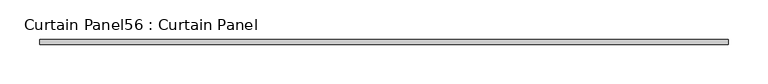
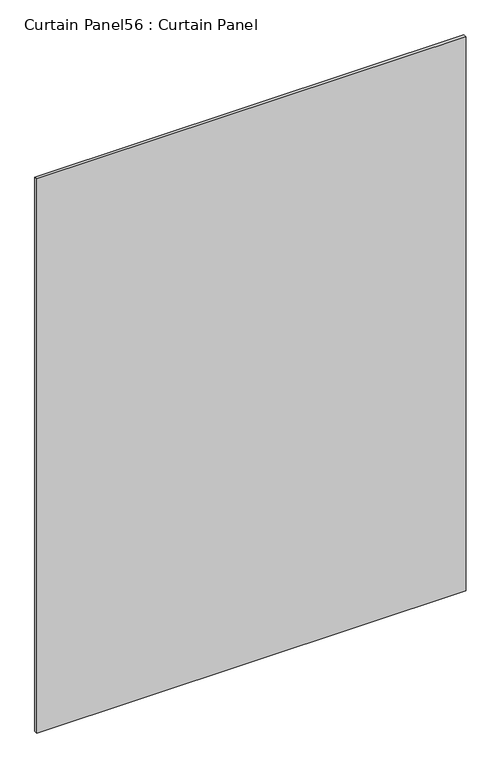
"""IFC4 building model written with IfcOpenShell, lengths in millimetres: plate geometry, Curtain Panel56 : Curtain Panel."""

from ifc_helpers import new_model, si_unit, frame, origin, place, context, project, spatial, polyline, outline, extrude, source, transform, mapped, element, save


def curtain_panel56_curtain_panel_e90cd2f3(model_context):
    return source(origin(), model_context, "Body", "SweptSolid", [
        extrude(outline(polyline([(-37411.9963941, 3064.5159455), (-38282.1440794, 3064.5159455), (-38282.1440794, 3070.8659455), (-37411.9963941, 3070.8659455), (-37411.9963941, 3064.5159455)])), frame((0.0, 0.0, 1235.075), z_axis=(0.0, 0.0, 1.0), x_axis=(1.0, 0.0, 0.0)), (0.0, 0.0, 1.0), 1187.2595),
    ])


if __name__ == "__main__":
    model = new_model("IFC4")
    model_context = context("Model", 3, world=origin())
    ifc_project = project(units=[si_unit("LENGTHUNIT", "METRE", prefix="MILLI")], contexts=[model_context])
    site = spatial("IfcSite", under=ifc_project)
    building = spatial("IfcBuilding", under=site)
    placement = place(None, origin())
    curtain_panel56_curtain_panel_shape = curtain_panel56_curtain_panel_e90cd2f3(model_context)
    element("IfcPlate", 1, ObjectType="Curtain Panel56 : Curtain Panel", at=placement, inside=building, context=model_context, shape_type="MappedRepresentation", body=[
        mapped(curtain_panel56_curtain_panel_shape, transform((0.0, 0.0, 0.0), x_axis=(1.0, 0.0, 0.0), y_axis=(0.0, 1.0, 0.0), z_axis=(0.0, 0.0, 1.0))),
    ])
    save(model, "model.ifc")
